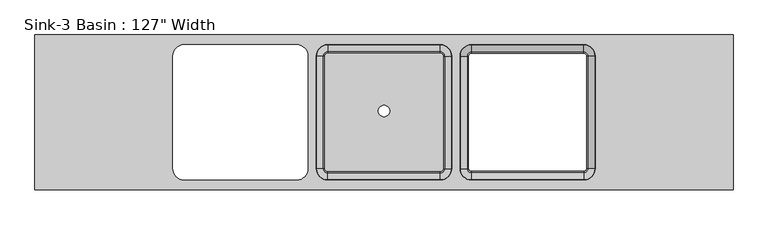
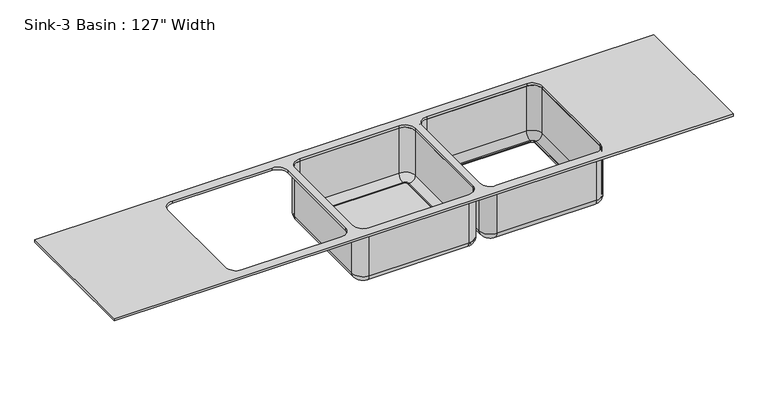
"""IFC4 building model written with IfcOpenShell, lengths in millimetres: flow terminal geometry."""

from ifc_helpers import new_model, si_unit, point, frame, frame_2d, origin, place, context, project, spatial, polyline, circle_curve, ellipse_curve, trimmed, segment, composite_curve, outline, extrude, source, transform, mapped, element, save
from ifc_brep_helpers import plane_surface, cylinder_surface, revolved_surface, advanced_brep


def flow_terminal_a186a1c5(model_context):
    return source(origin(), model_context, "Body", "SolidModel", [
        advanced_brep(
        [(212.5392406, 180.1454011, 863.6), (263.3392406, 230.9454011, 863.6), (263.3392406, 237.2954011, 863.6), (206.1892406, 180.1454011, 863.6), (212.5392406, 180.1454011, 622.3), (263.3392406, 230.9454011, 622.3), (244.2892406, 180.1454011, 590.55), (263.3392406, 199.1954011, 590.55), (250.6392406, 180.1454011, 590.55), (263.3392406, 192.8454011, 590.55), (250.6392406, 180.1454011, 584.2), (263.3392406, 192.8454011, 584.2), (244.2892406, 180.1454011, 584.2), (263.3392406, 199.1954011, 584.2), (206.1892406, 180.1454011, 622.3), (263.3392406, 237.2954011, 622.3), (206.1892406, -327.8545989, 863.6), (212.5392406, -327.8545989, 863.6), (212.5392406, -327.8545989, 622.3), (244.2892406, -327.8545989, 590.55), (250.6392406, -327.8545989, 590.55), (250.6392406, -327.8545989, 584.2), (244.2892406, -327.8545989, 584.2), (206.1892406, -327.8545989, 622.3), (263.3392406, -378.6545989, 863.6), (263.3392406, -385.0045989, 863.6), (263.3392406, -378.6545989, 622.3), (263.3392406, -346.9045989, 590.55), (263.3392406, -340.5545989, 590.55), (263.3392406, -340.5545989, 584.2), (263.3392406, -346.9045989, 584.2), (263.3392406, -385.0045989, 622.3), (771.3392406, -385.0045989, 863.6), (771.3392406, -378.6545989, 863.6), (771.3392406, -378.6545989, 622.3), (771.3392406, -346.9045989, 590.55), (771.3392406, -340.5545989, 590.55), (771.3392406, -340.5545989, 584.2), (771.3392406, -346.9045989, 584.2), (771.3392406, -385.0045989, 622.3), (822.1392406, -327.8545989, 863.6), (828.4892406, -327.8545989, 863.6), (822.1392406, -327.8545989, 622.3), (790.3892406, -327.8545989, 590.55), (784.0392406, -327.8545989, 590.55), (784.0392406, -327.8545989, 584.2), (790.3892406, -327.8545989, 584.2), (828.4892406, -327.8545989, 622.3), (828.4892406, 180.1454011, 863.6), (822.1392406, 180.1454011, 863.6), (822.1392406, 180.1454011, 622.3), (790.3892406, 180.1454011, 590.55), (784.0392406, 180.1454011, 590.55), (784.0392406, 180.1454011, 584.2), (790.3892406, 180.1454011, 584.2), (828.4892406, 180.1454011, 622.3), (771.3392406, 230.9454011, 863.6), (771.3392406, 237.2954011, 863.6), (771.3392406, 230.9454011, 622.3), (771.3392406, 199.1954011, 590.55), (771.3392406, 192.8454011, 590.55), (771.3392406, 192.8454011, 584.2), (771.3392406, 199.1954011, 584.2), (771.3392406, 237.2954011, 622.3)],
        [
            (0, 1, circle_curve(frame((263.3392406, 180.1454011, 863.6), z_axis=(0.0, 0.0, -1.0), x_axis=(0.0, 1.0, 0.0)), 50.8)),
            (1, 2),
            (2, 3, circle_curve(frame((263.3392406, 180.1454011, 863.6), z_axis=(0.0, 0.0, 1.0), x_axis=(0.0, 1.0, 0.0)), 57.15)),
            (3, 0),
            (4, 5, circle_curve(frame((263.3392406, 180.1454011, 622.3), z_axis=(0.0, 0.0, -1.0), x_axis=(0.0, 1.0, 0.0)), 50.8)),
            (5, 1),
            (0, 4),
            (6, 7, circle_curve(frame((263.3392406, 180.1454011, 590.55), z_axis=(0.0, 0.0, -1.0), x_axis=(0.0, 1.0, 0.0)), 19.05)),
            (7, 5, circle_curve(frame((263.3392406, 199.1954011, 622.3), z_axis=(1.0, 0.0, 0.0), x_axis=(0.0, -1.0, 0.0)), 31.75)),
            (4, 6, circle_curve(frame((244.2892406, 180.1454011, 622.3), z_axis=(0.0, -1.0, 0.0), x_axis=(1.0, 0.0, 0.0)), 31.75)),
            (8, 9, circle_curve(frame((263.3392406, 180.1454011, 590.55), z_axis=(0.0, 0.0, -1.0), x_axis=(0.0, 1.0, 0.0)), 12.7)),
            (9, 7),
            (6, 8),
            (10, 11, circle_curve(frame((263.3392406, 180.1454011, 584.2), z_axis=(0.0, 0.0, -1.0), x_axis=(0.0, 1.0, 0.0)), 12.7)),
            (11, 9),
            (8, 10),
            (12, 13, circle_curve(frame((263.3392406, 180.1454011, 584.2), z_axis=(0.0, 0.0, -1.0), x_axis=(0.0, 1.0, 0.0)), 19.05)),
            (13, 11),
            (10, 12),
            (14, 15, circle_curve(frame((263.3392406, 180.1454011, 622.3), z_axis=(0.0, 0.0, -1.0), x_axis=(0.0, 1.0, 0.0)), 57.15)),
            (15, 13, circle_curve(frame((263.3392406, 199.1954011, 622.3), z_axis=(-1.0, 0.0, 0.0), x_axis=(0.0, -1.0, 0.0)), 38.1)),
            (12, 14, circle_curve(frame((244.2892406, 180.1454011, 622.3), z_axis=(0.0, 1.0, 0.0), x_axis=(1.0, 0.0, 0.0)), 38.1)),
            (2, 15),
            (14, 3),
            (3, 16),
            (16, 17),
            (17, 0),
            (17, 18),
            (18, 4),
            (18, 19, circle_curve(frame((244.2892406, -327.8545989, 622.3), z_axis=(0.0, -1.0, 0.0), x_axis=(1.0, 0.0, 0.0)), 31.75)),
            (19, 6),
            (19, 20),
            (20, 8),
            (20, 21),
            (21, 10),
            (21, 22),
            (22, 12),
            (22, 23, circle_curve(frame((244.2892406, -327.8545989, 622.3), z_axis=(0.0, 1.0, 0.0), x_axis=(1.0, 0.0, 0.0)), 38.1)),
            (23, 14),
            (23, 16),
            (24, 17, circle_curve(frame((263.3392406, -327.8545989, 863.6), z_axis=(0.0, 0.0, -1.0), x_axis=(-1.0, 0.0, 0.0)), 50.8)),
            (16, 25, circle_curve(frame((263.3392406, -327.8545989, 863.6), z_axis=(0.0, 0.0, 1.0), x_axis=(-1.0, 0.0, 0.0)), 57.15)),
            (25, 24),
            (26, 18, circle_curve(frame((263.3392406, -327.8545989, 622.3), z_axis=(0.0, 0.0, -1.0), x_axis=(-1.0, 0.0, 0.0)), 50.8)),
            (24, 26),
            (27, 19, circle_curve(frame((263.3392406, -327.8545989, 590.55), z_axis=(0.0, 0.0, -1.0), x_axis=(-1.0, 0.0, 0.0)), 19.05)),
            (26, 27, circle_curve(frame((263.3392406, -346.9045989, 622.3), z_axis=(1.0, 0.0, 0.0), x_axis=(0.0, 1.0, 0.0)), 31.75)),
            (28, 20, circle_curve(frame((263.3392406, -327.8545989, 590.55), z_axis=(0.0, 0.0, -1.0), x_axis=(-1.0, 0.0, 0.0)), 12.7)),
            (27, 28),
            (29, 21, circle_curve(frame((263.3392406, -327.8545989, 584.2), z_axis=(0.0, 0.0, -1.0), x_axis=(-1.0, 0.0, 0.0)), 12.7)),
            (28, 29),
            (30, 22, circle_curve(frame((263.3392406, -327.8545989, 584.2), z_axis=(0.0, 0.0, -1.0), x_axis=(-1.0, 0.0, 0.0)), 19.05)),
            (29, 30),
            (31, 23, circle_curve(frame((263.3392406, -327.8545989, 622.3), z_axis=(0.0, 0.0, -1.0), x_axis=(-1.0, 0.0, 0.0)), 57.15)),
            (30, 31, circle_curve(frame((263.3392406, -346.9045989, 622.3), z_axis=(-1.0, 0.0, 0.0), x_axis=(0.0, 1.0, 0.0)), 38.1)),
            (31, 25),
            (25, 32),
            (32, 33),
            (33, 24),
            (33, 34),
            (34, 26),
            (34, 35, circle_curve(frame((771.3392406, -346.9045989, 622.3), z_axis=(1.0, 0.0, 0.0), x_axis=(0.0, 1.0, 0.0)), 31.75)),
            (35, 27),
            (35, 36),
            (36, 28),
            (36, 37),
            (37, 29),
            (37, 38),
            (38, 30),
            (38, 39, circle_curve(frame((771.3392406, -346.9045989, 622.3), z_axis=(-1.0, 0.0, 0.0), x_axis=(0.0, 1.0, 0.0)), 38.1)),
            (39, 31),
            (39, 32),
            (40, 33, circle_curve(frame((771.3392406, -327.8545989, 863.6), z_axis=(0.0, 0.0, -1.0), x_axis=(0.0, -1.0, 0.0)), 50.8)),
            (32, 41, circle_curve(frame((771.3392406, -327.8545989, 863.6), z_axis=(0.0, 0.0, 1.0), x_axis=(0.0, -1.0, 0.0)), 57.15)),
            (41, 40),
            (42, 34, circle_curve(frame((771.3392406, -327.8545989, 622.3), z_axis=(0.0, 0.0, -1.0), x_axis=(0.0, -1.0, 0.0)), 50.8)),
            (40, 42),
            (43, 35, circle_curve(frame((771.3392406, -327.8545989, 590.55), z_axis=(0.0, 0.0, -1.0), x_axis=(0.0, -1.0, 0.0)), 19.05)),
            (42, 43, circle_curve(frame((790.3892406, -327.8545989, 622.3), z_axis=(0.0, 1.0, 0.0), x_axis=(-1.0, 0.0, 0.0)), 31.75)),
            (44, 36, circle_curve(frame((771.3392406, -327.8545989, 590.55), z_axis=(0.0, 0.0, -1.0), x_axis=(0.0, -1.0, 0.0)), 12.7)),
            (43, 44),
            (45, 37, circle_curve(frame((771.3392406, -327.8545989, 584.2), z_axis=(0.0, 0.0, -1.0), x_axis=(0.0, -1.0, 0.0)), 12.7)),
            (44, 45),
            (46, 38, circle_curve(frame((771.3392406, -327.8545989, 584.2), z_axis=(0.0, 0.0, -1.0), x_axis=(0.0, -1.0, 0.0)), 19.05)),
            (45, 46),
            (47, 39, circle_curve(frame((771.3392406, -327.8545989, 622.3), z_axis=(0.0, 0.0, -1.0), x_axis=(0.0, -1.0, 0.0)), 57.15)),
            (46, 47, circle_curve(frame((790.3892406, -327.8545989, 622.3), z_axis=(0.0, -1.0, 0.0), x_axis=(-1.0, 0.0, 0.0)), 38.1)),
            (47, 41),
            (41, 48),
            (48, 49),
            (49, 40),
            (49, 50),
            (50, 42),
            (50, 51, circle_curve(frame((790.3892406, 180.1454011, 622.3), z_axis=(0.0, 1.0, 0.0), x_axis=(-1.0, 0.0, 0.0)), 31.75)),
            (51, 43),
            (51, 52),
            (52, 44),
            (52, 53),
            (53, 45),
            (53, 54),
            (54, 46),
            (54, 55, circle_curve(frame((790.3892406, 180.1454011, 622.3), z_axis=(0.0, -1.0, 0.0), x_axis=(-1.0, 0.0, 0.0)), 38.1)),
            (55, 47),
            (55, 48),
            (56, 49, circle_curve(frame((771.3392406, 180.1454011, 863.6), z_axis=(0.0, 0.0, -1.0), x_axis=(1.0, 0.0, 0.0)), 50.8)),
            (48, 57, circle_curve(frame((771.3392406, 180.1454011, 863.6), z_axis=(0.0, 0.0, 1.0), x_axis=(1.0, 0.0, 0.0)), 57.15)),
            (57, 56),
            (58, 50, circle_curve(frame((771.3392406, 180.1454011, 622.3), z_axis=(0.0, 0.0, -1.0), x_axis=(1.0, 0.0, 0.0)), 50.8)),
            (56, 58),
            (59, 51, circle_curve(frame((771.3392406, 180.1454011, 590.55), z_axis=(0.0, 0.0, -1.0), x_axis=(1.0, 0.0, 0.0)), 19.05)),
            (58, 59, circle_curve(frame((771.3392406, 199.1954011, 622.3), z_axis=(-1.0, 0.0, 0.0), x_axis=(0.0, -1.0, 0.0)), 31.75)),
            (60, 52, circle_curve(frame((771.3392406, 180.1454011, 590.55), z_axis=(0.0, 0.0, -1.0), x_axis=(1.0, 0.0, 0.0)), 12.7)),
            (59, 60),
            (61, 53, circle_curve(frame((771.3392406, 180.1454011, 584.2), z_axis=(0.0, 0.0, -1.0), x_axis=(1.0, 0.0, 0.0)), 12.7)),
            (60, 61),
            (62, 54, circle_curve(frame((771.3392406, 180.1454011, 584.2), z_axis=(0.0, 0.0, -1.0), x_axis=(1.0, 0.0, 0.0)), 19.05)),
            (61, 62),
            (63, 55, circle_curve(frame((771.3392406, 180.1454011, 622.3), z_axis=(0.0, 0.0, -1.0), x_axis=(1.0, 0.0, 0.0)), 57.15)),
            (62, 63, circle_curve(frame((771.3392406, 199.1954011, 622.3), z_axis=(1.0, 0.0, 0.0), x_axis=(0.0, -1.0, 0.0)), 38.1)),
            (63, 57),
            (57, 2),
            (1, 56),
            (5, 58),
            (7, 59),
            (9, 60),
            (11, 61),
            (13, 62),
            (15, 63),
        ],
        [
            plane_surface(frame((263.3392406, 180.1454011, 863.6), z_axis=(0.0, 0.0, 1.0), x_axis=(0.0, 1.0, 0.0))),
            revolved_surface(polyline([(263.3392406, 230.94540109999997, 863.6), (263.3392406, 230.94540109999997, 622.3)]), (263.3392406, 180.1454011, 0.0), (0.0, 0.0, 1.0)),
            revolved_surface(trimmed(ellipse_curve(frame((263.3392406, 199.1954011, 622.3), z_axis=(-1.0, 0.0, 0.0), x_axis=(0.0, -1.0, 0.0)), 31.75, 31.75), [point((263.3392406, 230.9454011, 622.3))], [point((263.3392406, 199.1954011, 590.55))], True, "CARTESIAN"), (263.3392406, 180.1454011, 0.0), (0.0, 0.0, 1.0)),
            plane_surface(frame((263.3392406, 180.1454011, 590.55), z_axis=(0.0, 0.0, 1.0), x_axis=(0.0, 1.0, 0.0))),
            revolved_surface(polyline([(263.3392406, 192.84540109999998, 590.55), (263.3392406, 192.84540109999998, 584.2)]), (263.3392406, 180.1454011, 0.0), (0.0, 0.0, 1.0)),
            plane_surface(frame((263.3392406, 180.1454011, 584.2), z_axis=(0.0, 0.0, -1.0), x_axis=(0.0, 1.0, 0.0))),
            revolved_surface(trimmed(ellipse_curve(frame((263.3392406, 199.1954011, 622.3), z_axis=(1.0, 0.0, 0.0), x_axis=(0.0, -1.0, 0.0)), 38.1, 38.1), [point((263.3392406, 199.1954011, 584.2))], [point((263.3392406, 237.2954011, 622.3))], True, "CARTESIAN"), (263.3392406, 180.1454011, 0.0), (0.0, 0.0, 1.0)),
            cylinder_surface(frame((263.3392406, 180.1454011, 0.0), z_axis=(0.0, 0.0, 1.0), x_axis=(0.0, 1.0, 0.0)), 57.15),
            plane_surface(frame((206.1892406, 180.1454011, 863.6), z_axis=(0.0, 0.0, 1.0), x_axis=(0.0, -1.0, 0.0))),
            plane_surface(frame((212.5392406, 180.1454011, 863.6), z_axis=(1.0, 0.0, 0.0), x_axis=(0.0, -1.0, 0.0))),
            revolved_surface(polyline([(276.03924059999997, -327.85459890000004, 622.3), (276.03924059999997, 180.1454011, 622.3)]), (244.2892406, 180.1454011, 622.3), (0.0, -1.0, 0.0)),
            plane_surface(frame((244.2892406, 180.1454011, 590.55), z_axis=(0.0, 0.0, 1.0), x_axis=(0.0, -1.0, 0.0))),
            plane_surface(frame((250.6392406, 180.1454011, 590.55), z_axis=(1.0, 0.0, 0.0), x_axis=(0.0, -1.0, 0.0))),
            plane_surface(frame((250.6392406, 180.1454011, 584.2), z_axis=(0.0, 0.0, -1.0), x_axis=(0.0, -1.0, 0.0))),
            cylinder_surface(frame((244.2892406, 180.1454011, 622.3), z_axis=(0.0, 1.0, 0.0), x_axis=(1.0, 0.0, 0.0)), 38.1),
            plane_surface(frame((206.1892406, 180.1454011, 622.3), z_axis=(-1.0, 0.0, 0.0), x_axis=(0.0, -1.0, 0.0))),
            plane_surface(frame((263.3392406, -327.8545989, 863.6), z_axis=(0.0, 0.0, 1.0), x_axis=(-1.0, 0.0, 0.0))),
            revolved_surface(polyline([(212.53924059999997, -327.8545989, 863.6), (212.53924059999997, -327.8545989, 622.3)]), (263.3392406, -327.8545989, 0.0), (0.0, 0.0, 1.0)),
            revolved_surface(trimmed(ellipse_curve(frame((244.2892406, -327.8545989, 622.3), z_axis=(0.0, -1.0, 0.0), x_axis=(1.0, 0.0, 0.0)), 31.75, 31.75), [point((212.5392406, -327.8545989, 622.3))], [point((244.2892406, -327.8545989, 590.55))], True, "CARTESIAN"), (263.3392406, -327.8545989, 0.0), (0.0, 0.0, 1.0)),
            plane_surface(frame((263.3392406, -327.8545989, 590.55), z_axis=(0.0, 0.0, 1.0), x_axis=(-1.0, 0.0, 0.0))),
            revolved_surface(polyline([(250.6392406, -327.8545989, 590.55), (250.6392406, -327.8545989, 584.2)]), (263.3392406, -327.8545989, 0.0), (0.0, 0.0, 1.0)),
            plane_surface(frame((263.3392406, -327.8545989, 584.2), z_axis=(0.0, 0.0, -1.0), x_axis=(-1.0, 0.0, 0.0))),
            revolved_surface(trimmed(ellipse_curve(frame((244.2892406, -327.8545989, 622.3), z_axis=(0.0, 1.0, 0.0), x_axis=(1.0, 0.0, 0.0)), 38.1, 38.1), [point((244.2892406, -327.8545989, 584.2))], [point((206.1892406, -327.8545989, 622.3))], True, "CARTESIAN"), (263.3392406, -327.8545989, 0.0), (0.0, 0.0, 1.0)),
            cylinder_surface(frame((263.3392406, -327.8545989, 0.0), z_axis=(0.0, 0.0, 1.0), x_axis=(-1.0, 0.0, 0.0)), 57.15),
            plane_surface(frame((263.3392406, -385.0045989, 863.6), z_axis=(0.0, 0.0, 1.0), x_axis=(1.0, 0.0, 0.0))),
            plane_surface(frame((263.3392406, -378.6545989, 863.6), z_axis=(0.0, 1.0, 0.0), x_axis=(1.0, 0.0, 0.0))),
            revolved_surface(polyline([(771.3392406, -315.1545989, 622.3), (263.3392406, -315.1545989, 622.3)]), (263.3392406, -346.9045989, 622.3), (1.0, 0.0, 0.0)),
            plane_surface(frame((263.3392406, -346.9045989, 590.55), z_axis=(0.0, 0.0, 1.0), x_axis=(1.0, 0.0, 0.0))),
            plane_surface(frame((263.3392406, -340.5545989, 590.55), z_axis=(0.0, 1.0, 0.0), x_axis=(1.0, 0.0, 0.0))),
            plane_surface(frame((263.3392406, -340.5545989, 584.2), z_axis=(0.0, 0.0, -1.0), x_axis=(1.0, 0.0, 0.0))),
            cylinder_surface(frame((263.3392406, -346.9045989, 622.3), z_axis=(-1.0, 0.0, 0.0), x_axis=(0.0, 1.0, 0.0)), 38.1),
            plane_surface(frame((263.3392406, -385.0045989, 622.3), z_axis=(0.0, -1.0, 0.0), x_axis=(1.0, 0.0, 0.0))),
            plane_surface(frame((771.3392406, -327.8545989, 863.6), z_axis=(0.0, 0.0, 1.0), x_axis=(0.0, -1.0, 0.0))),
            revolved_surface(polyline([(771.3392406, -378.6545989, 863.6), (771.3392406, -378.6545989, 622.3)]), (771.3392406, -327.8545989, 0.0), (0.0, 0.0, 1.0)),
            revolved_surface(trimmed(ellipse_curve(frame((771.3392406, -346.9045989, 622.3), z_axis=(1.0, 0.0, 0.0), x_axis=(0.0, 1.0, 0.0)), 31.75, 31.75), [point((771.3392406, -378.6545989, 622.3))], [point((771.3392406, -346.9045989, 590.55))], True, "CARTESIAN"), (771.3392406, -327.8545989, 0.0), (0.0, 0.0, 1.0)),
            plane_surface(frame((771.3392406, -327.8545989, 590.55), z_axis=(0.0, 0.0, 1.0), x_axis=(0.0, -1.0, 0.0))),
            revolved_surface(polyline([(771.3392406, -340.5545989, 590.55), (771.3392406, -340.5545989, 584.2)]), (771.3392406, -327.8545989, 0.0), (0.0, 0.0, 1.0)),
            plane_surface(frame((771.3392406, -327.8545989, 584.2), z_axis=(0.0, 0.0, -1.0), x_axis=(0.0, -1.0, 0.0))),
            revolved_surface(trimmed(ellipse_curve(frame((771.3392406, -346.9045989, 622.3), z_axis=(-1.0, 0.0, 0.0), x_axis=(0.0, 1.0, 0.0)), 38.1, 38.1), [point((771.3392406, -346.9045989, 584.2))], [point((771.3392406, -385.0045989, 622.3))], True, "CARTESIAN"), (771.3392406, -327.8545989, 0.0), (0.0, 0.0, 1.0)),
            cylinder_surface(frame((771.3392406, -327.8545989, 0.0), z_axis=(0.0, 0.0, 1.0), x_axis=(0.0, -1.0, 0.0)), 57.15),
            plane_surface(frame((828.4892406, -327.8545989, 863.6), z_axis=(0.0, 0.0, 1.0), x_axis=(0.0, 1.0, 0.0))),
            plane_surface(frame((822.1392406, -327.8545989, 863.6), z_axis=(-1.0, 0.0, 0.0), x_axis=(0.0, 1.0, 0.0))),
            revolved_surface(polyline([(758.6392406, 180.14540110000002, 622.3), (758.6392406, -327.8545989, 622.3)]), (790.3892406, -327.8545989, 622.3), (0.0, 1.0, 0.0)),
            plane_surface(frame((790.3892406, -327.8545989, 590.55), z_axis=(0.0, 0.0, 1.0), x_axis=(0.0, 1.0, 0.0))),
            plane_surface(frame((784.0392406, -327.8545989, 590.55), z_axis=(-1.0, 0.0, 0.0), x_axis=(0.0, 1.0, 0.0))),
            plane_surface(frame((784.0392406, -327.8545989, 584.2), z_axis=(0.0, 0.0, -1.0), x_axis=(0.0, 1.0, 0.0))),
            cylinder_surface(frame((790.3892406, -327.8545989, 622.3), z_axis=(0.0, -1.0, 0.0), x_axis=(-1.0, 0.0, 0.0)), 38.1),
            plane_surface(frame((828.4892406, -327.8545989, 622.3), z_axis=(1.0, 0.0, 0.0), x_axis=(0.0, 1.0, 0.0))),
            plane_surface(frame((771.3392406, 180.1454011, 863.6), z_axis=(0.0, 0.0, 1.0), x_axis=(1.0, 0.0, 0.0))),
            revolved_surface(polyline([(822.1392406, 180.1454011, 863.6), (822.1392406, 180.1454011, 622.3)]), (771.3392406, 180.1454011, 0.0), (0.0, 0.0, 1.0)),
            revolved_surface(trimmed(ellipse_curve(frame((790.3892406, 180.1454011, 622.3), z_axis=(0.0, 1.0, 0.0), x_axis=(-1.0, 0.0, 0.0)), 31.75, 31.75), [point((822.1392406, 180.1454011, 622.3))], [point((790.3892406, 180.1454011, 590.55))], True, "CARTESIAN"), (771.3392406, 180.1454011, 0.0), (0.0, 0.0, 1.0)),
            plane_surface(frame((771.3392406, 180.1454011, 590.55), z_axis=(0.0, 0.0, 1.0), x_axis=(1.0, 0.0, 0.0))),
            revolved_surface(polyline([(784.0392406000001, 180.1454011, 590.55), (784.0392406000001, 180.1454011, 584.2)]), (771.3392406, 180.1454011, 0.0), (0.0, 0.0, 1.0)),
            plane_surface(frame((771.3392406, 180.1454011, 584.2), z_axis=(0.0, 0.0, -1.0), x_axis=(1.0, 0.0, 0.0))),
            revolved_surface(trimmed(ellipse_curve(frame((790.3892406, 180.1454011, 622.3), z_axis=(0.0, -1.0, 0.0), x_axis=(-1.0, 0.0, 0.0)), 38.1, 38.1), [point((790.3892406, 180.1454011, 584.2))], [point((828.4892406, 180.1454011, 622.3))], True, "CARTESIAN"), (771.3392406, 180.1454011, 0.0), (0.0, 0.0, 1.0)),
            cylinder_surface(frame((771.3392406, 180.1454011, 0.0), z_axis=(0.0, 0.0, 1.0), x_axis=(1.0, 0.0, 0.0)), 57.15),
            plane_surface(frame((771.3392406, 237.2954011, 863.6), z_axis=(0.0, 0.0, 1.0), x_axis=(-1.0, 0.0, 0.0))),
            plane_surface(frame((771.3392406, 230.9454011, 863.6), z_axis=(0.0, -1.0, 0.0), x_axis=(-1.0, 0.0, 0.0))),
            revolved_surface(polyline([(263.3392406, 167.4454011, 622.3), (771.3392406, 167.4454011, 622.3)]), (771.3392406, 199.1954011, 622.3), (-1.0, 0.0, 0.0)),
            plane_surface(frame((771.3392406, 199.1954011, 590.55), z_axis=(0.0, 0.0, 1.0), x_axis=(-1.0, 0.0, 0.0))),
            plane_surface(frame((771.3392406, 192.8454011, 590.55), z_axis=(0.0, -1.0, 0.0), x_axis=(-1.0, 0.0, 0.0))),
            plane_surface(frame((771.3392406, 192.8454011, 584.2), z_axis=(0.0, 0.0, -1.0), x_axis=(-1.0, 0.0, 0.0))),
            cylinder_surface(frame((771.3392406, 199.1954011, 622.3), z_axis=(1.0, 0.0, 0.0), x_axis=(0.0, -1.0, 0.0)), 38.1),
            plane_surface(frame((771.3392406, 237.2954011, 622.3), z_axis=(0.0, 1.0, 0.0), x_axis=(-1.0, 0.0, 0.0))),
        ],
        [
            (0, [[1, 2, 3, 4]]),
            (1, [[5, 6, -1, 7]]),
            (2, [[8, 9, -5, 10]]),
            (3, [[11, 12, -8, 13]]),
            (4, [[14, 15, -11, 16]]),
            (5, [[17, 18, -14, 19]]),
            (6, [[20, 21, -17, 22]]),
            (7, [[-3, 23, -20, 24]]),
            (8, [[-4, 25, 26, 27]]),
            (9, [[-7, -27, 28, 29]]),
            (10, [[-10, -29, 30, 31]]),
            (11, [[-13, -31, 32, 33]]),
            (12, [[-16, -33, 34, 35]]),
            (13, [[-19, -35, 36, 37]]),
            (14, [[-22, -37, 38, 39]]),
            (15, [[-24, -39, 40, -25]]),
            (16, [[41, -26, 42, 43]]),
            (17, [[44, -28, -41, 45]]),
            (18, [[46, -30, -44, 47]]),
            (19, [[48, -32, -46, 49]]),
            (20, [[50, -34, -48, 51]]),
            (21, [[52, -36, -50, 53]]),
            (22, [[54, -38, -52, 55]]),
            (23, [[-42, -40, -54, 56]]),
            (24, [[-43, 57, 58, 59]]),
            (25, [[-45, -59, 60, 61]]),
            (26, [[-47, -61, 62, 63]]),
            (27, [[-49, -63, 64, 65]]),
            (28, [[-51, -65, 66, 67]]),
            (29, [[-53, -67, 68, 69]]),
            (30, [[-55, -69, 70, 71]]),
            (31, [[-56, -71, 72, -57]]),
            (32, [[73, -58, 74, 75]]),
            (33, [[76, -60, -73, 77]]),
            (34, [[78, -62, -76, 79]]),
            (35, [[80, -64, -78, 81]]),
            (36, [[82, -66, -80, 83]]),
            (37, [[84, -68, -82, 85]]),
            (38, [[86, -70, -84, 87]]),
            (39, [[-74, -72, -86, 88]]),
            (40, [[-75, 89, 90, 91]]),
            (41, [[-77, -91, 92, 93]]),
            (42, [[-79, -93, 94, 95]]),
            (43, [[-81, -95, 96, 97]]),
            (44, [[-83, -97, 98, 99]]),
            (45, [[-85, -99, 100, 101]]),
            (46, [[-87, -101, 102, 103]]),
            (47, [[-88, -103, 104, -89]]),
            (48, [[105, -90, 106, 107]]),
            (49, [[108, -92, -105, 109]]),
            (50, [[110, -94, -108, 111]]),
            (51, [[112, -96, -110, 113]]),
            (52, [[114, -98, -112, 115]]),
            (53, [[116, -100, -114, 117]]),
            (54, [[118, -102, -116, 119]]),
            (55, [[-106, -104, -118, 120]]),
            (56, [[-107, 121, -2, 122]]),
            (57, [[-109, -122, -6, 123]]),
            (58, [[-111, -123, -9, 124]]),
            (59, [[-113, -124, -12, 125]]),
            (60, [[-115, -125, -15, 126]]),
            (61, [[-117, -126, -18, 127]]),
            (62, [[-119, -127, -21, 128]]),
            (63, [[-120, -128, -23, -121]]),
        ],
    ),
        extrude(outline(composite_curve([segment(trimmed(circle_curve(frame_2d((123.6392406, 180.1454011)), 12.7), [point((123.6392406, 192.8454011))], [point((136.3392406, 180.1454011))], False, "CARTESIAN"), True, "CONTINUOUS"), segment(polyline([(136.3392406, 180.1454011), (136.3392406, -327.8545989)]), True, "CONTINUOUS"), segment(trimmed(circle_curve(frame_2d((123.6392406, -327.8545989)), 12.7), [point((136.3392406, -327.8545989))], [point((123.6392406, -340.5545989))], False, "CARTESIAN"), True, "CONTINUOUS"), segment(polyline([(123.6392406, -340.5545989), (-384.3607594, -340.5545989)]), True, "CONTINUOUS"), segment(trimmed(circle_curve(frame_2d((-384.3607594, -327.8545989)), 12.7), [point((-384.3607594, -340.5545989))], [point((-397.0607594, -327.8545989))], False, "CARTESIAN"), True, "CONTINUOUS"), segment(polyline([(-397.0607594, -327.8545989), (-397.0607594, 180.1454011)]), True, "CONTINUOUS"), segment(trimmed(circle_curve(frame_2d((-384.3607594, 180.1454011)), 12.7), [point((-397.0607594, 180.1454011))], [point((-384.3607594, 192.8454011))], False, "CARTESIAN"), True, "CONTINUOUS"), segment(polyline([(-384.3607594, 192.8454011), (123.6392406, 192.8454011)]), True, "CONTINUOUS")], self_intersect=False), holes=[composite_curve([segment(trimmed(circle_curve(frame_2d((-130.3607594, -67.5045989)), 25.4), [point((-155.7607594, -67.5045989))], [point((-104.9607594, -67.5045989))], True, "CARTESIAN"), True, "CONTINUOUS"), segment(trimmed(circle_curve(frame_2d((-130.3607594, -67.5045989)), 25.4), [point((-104.9607594, -67.5045989))], [point((-155.7607594, -67.5045989))], True, "CARTESIAN"), True, "CONTINUOUS")], self_intersect=False)]), frame((0.0, 0.0, 584.2), z_axis=(0.0, 0.0, 1.0), x_axis=(1.0, 0.0, 0.0)), (0.0, 0.0, 1.0), 6.35),
        advanced_brep(
        [(180.7892406, 180.1454011, 622.3), (123.6392406, 237.2954011, 622.3), (123.6392406, 237.2954011, 863.6), (180.7892406, 180.1454011, 863.6), (142.6892406, 180.1454011, 584.2), (123.6392406, 199.1954011, 584.2), (136.3392406, 180.1454011, 584.2), (123.6392406, 192.8454011, 584.2), (136.3392406, 180.1454011, 590.55), (123.6392406, 192.8454011, 590.55), (142.6892406, 180.1454011, 590.55), (123.6392406, 199.1954011, 590.55), (174.4392406, 180.1454011, 622.3), (123.6392406, 230.9454011, 622.3), (174.4392406, 180.1454011, 863.6), (123.6392406, 230.9454011, 863.6), (180.7892406, -327.8545989, 863.6), (180.7892406, -327.8545989, 622.3), (142.6892406, -327.8545989, 584.2), (136.3392406, -327.8545989, 584.2), (136.3392406, -327.8545989, 590.55), (142.6892406, -327.8545989, 590.55), (174.4392406, -327.8545989, 622.3), (174.4392406, -327.8545989, 863.6), (123.6392406, -385.0045989, 622.3), (123.6392406, -385.0045989, 863.6), (123.6392406, -346.9045989, 584.2), (123.6392406, -340.5545989, 584.2), (123.6392406, -340.5545989, 590.55), (123.6392406, -346.9045989, 590.55), (123.6392406, -378.6545989, 622.3), (123.6392406, -378.6545989, 863.6), (-384.3607594, -385.0045989, 863.6), (-384.3607594, -385.0045989, 622.3), (-384.3607594, -346.9045989, 584.2), (-384.3607594, -340.5545989, 584.2), (-384.3607594, -340.5545989, 590.55), (-384.3607594, -346.9045989, 590.55), (-384.3607594, -378.6545989, 622.3), (-384.3607594, -378.6545989, 863.6), (-441.5107594, -327.8545989, 622.3), (-441.5107594, -327.8545989, 863.6), (-403.4107594, -327.8545989, 584.2), (-397.0607594, -327.8545989, 584.2), (-397.0607594, -327.8545989, 590.55), (-403.4107594, -327.8545989, 590.55), (-435.1607594, -327.8545989, 622.3), (-435.1607594, -327.8545989, 863.6), (-441.5107594, 180.1454011, 863.6), (-441.5107594, 180.1454011, 622.3), (-403.4107594, 180.1454011, 584.2), (-397.0607594, 180.1454011, 584.2), (-397.0607594, 180.1454011, 590.55), (-403.4107594, 180.1454011, 590.55), (-435.1607594, 180.1454011, 622.3), (-435.1607594, 180.1454011, 863.6), (-384.3607594, 237.2954011, 622.3), (-384.3607594, 237.2954011, 863.6), (-384.3607594, 199.1954011, 584.2), (-384.3607594, 192.8454011, 584.2), (-384.3607594, 192.8454011, 590.55), (-384.3607594, 199.1954011, 590.55), (-384.3607594, 230.9454011, 622.3), (-384.3607594, 230.9454011, 863.6)],
        [
            (0, 1, circle_curve(frame((123.6392406, 180.1454011, 622.3), z_axis=(0.0, 0.0, 1.0), x_axis=(0.0, 1.0, 0.0)), 57.15)),
            (1, 2),
            (2, 3, circle_curve(frame((123.6392406, 180.1454011, 863.6), z_axis=(0.0, 0.0, -1.0), x_axis=(0.0, 1.0, 0.0)), 57.15)),
            (3, 0),
            (4, 5, circle_curve(frame((123.6392406, 180.1454011, 584.2), z_axis=(0.0, 0.0, 1.0), x_axis=(0.0, 1.0, 0.0)), 19.05)),
            (5, 1, circle_curve(frame((123.6392406, 199.1954011, 622.3), z_axis=(1.0, 0.0, 0.0), x_axis=(0.0, 1.0, 0.0)), 38.1)),
            (0, 4, circle_curve(frame((142.6892406, 180.1454011, 622.3), z_axis=(0.0, 1.0, 0.0), x_axis=(1.0, 0.0, 0.0)), 38.1)),
            (6, 7, circle_curve(frame((123.6392406, 180.1454011, 584.2), z_axis=(0.0, 0.0, 1.0), x_axis=(0.0, 1.0, 0.0)), 12.7)),
            (7, 5),
            (4, 6),
            (8, 9, circle_curve(frame((123.6392406, 180.1454011, 590.55), z_axis=(0.0, 0.0, 1.0), x_axis=(0.0, 1.0, 0.0)), 12.7)),
            (9, 7),
            (6, 8),
            (10, 11, circle_curve(frame((123.6392406, 180.1454011, 590.55), z_axis=(0.0, 0.0, 1.0), x_axis=(0.0, 1.0, 0.0)), 19.05)),
            (11, 9),
            (8, 10),
            (12, 13, circle_curve(frame((123.6392406, 180.1454011, 622.3), z_axis=(0.0, 0.0, 1.0), x_axis=(0.0, 1.0, 0.0)), 50.8)),
            (13, 11, circle_curve(frame((123.6392406, 199.1954011, 622.3), z_axis=(-1.0, 0.0, 0.0), x_axis=(0.0, 1.0, 0.0)), 31.75)),
            (10, 12, circle_curve(frame((142.6892406, 180.1454011, 622.3), z_axis=(0.0, -1.0, 0.0), x_axis=(1.0, 0.0, 0.0)), 31.75)),
            (14, 15, circle_curve(frame((123.6392406, 180.1454011, 863.6), z_axis=(0.0, 0.0, 1.0), x_axis=(0.0, 1.0, 0.0)), 50.8)),
            (15, 13),
            (12, 14),
            (2, 15),
            (14, 3),
            (3, 16),
            (16, 17),
            (17, 0),
            (17, 18, circle_curve(frame((142.6892406, -327.8545989, 622.3), z_axis=(0.0, 1.0, 0.0), x_axis=(1.0, 0.0, 0.0)), 38.1)),
            (18, 4),
            (18, 19),
            (19, 6),
            (19, 20),
            (20, 8),
            (20, 21),
            (21, 10),
            (21, 22, circle_curve(frame((142.6892406, -327.8545989, 622.3), z_axis=(0.0, -1.0, 0.0), x_axis=(1.0, 0.0, 0.0)), 31.75)),
            (22, 12),
            (22, 23),
            (23, 14),
            (23, 16),
            (24, 17, circle_curve(frame((123.6392406, -327.8545989, 622.3), z_axis=(0.0, 0.0, 1.0), x_axis=(1.0, 0.0, 0.0)), 57.15)),
            (16, 25, circle_curve(frame((123.6392406, -327.8545989, 863.6), z_axis=(0.0, 0.0, -1.0), x_axis=(1.0, 0.0, 0.0)), 57.15)),
            (25, 24),
            (26, 18, circle_curve(frame((123.6392406, -327.8545989, 584.2), z_axis=(0.0, 0.0, 1.0), x_axis=(1.0, 0.0, 0.0)), 19.05)),
            (24, 26, circle_curve(frame((123.6392406, -346.9045989, 622.3), z_axis=(1.0, 0.0, 0.0), x_axis=(0.0, -1.0, 0.0)), 38.1)),
            (27, 19, circle_curve(frame((123.6392406, -327.8545989, 584.2), z_axis=(0.0, 0.0, 1.0), x_axis=(1.0, 0.0, 0.0)), 12.7)),
            (26, 27),
            (28, 20, circle_curve(frame((123.6392406, -327.8545989, 590.55), z_axis=(0.0, 0.0, 1.0), x_axis=(1.0, 0.0, 0.0)), 12.7)),
            (27, 28),
            (29, 21, circle_curve(frame((123.6392406, -327.8545989, 590.55), z_axis=(0.0, 0.0, 1.0), x_axis=(1.0, 0.0, 0.0)), 19.05)),
            (28, 29),
            (30, 22, circle_curve(frame((123.6392406, -327.8545989, 622.3), z_axis=(0.0, 0.0, 1.0), x_axis=(1.0, 0.0, 0.0)), 50.8)),
            (29, 30, circle_curve(frame((123.6392406, -346.9045989, 622.3), z_axis=(-1.0, 0.0, 0.0), x_axis=(0.0, -1.0, 0.0)), 31.75)),
            (31, 23, circle_curve(frame((123.6392406, -327.8545989, 863.6), z_axis=(0.0, 0.0, 1.0), x_axis=(1.0, 0.0, 0.0)), 50.8)),
            (30, 31),
            (31, 25),
            (25, 32),
            (32, 33),
            (33, 24),
            (33, 34, circle_curve(frame((-384.3607594, -346.9045989, 622.3), z_axis=(1.0, 0.0, 0.0), x_axis=(0.0, -1.0, 0.0)), 38.1)),
            (34, 26),
            (34, 35),
            (35, 27),
            (35, 36),
            (36, 28),
            (36, 37),
            (37, 29),
            (37, 38, circle_curve(frame((-384.3607594, -346.9045989, 622.3), z_axis=(-1.0, 0.0, 0.0), x_axis=(0.0, -1.0, 0.0)), 31.75)),
            (38, 30),
            (38, 39),
            (39, 31),
            (39, 32),
            (40, 33, circle_curve(frame((-384.3607594, -327.8545989, 622.3), z_axis=(0.0, 0.0, 1.0), x_axis=(0.0, -1.0, 0.0)), 57.15)),
            (32, 41, circle_curve(frame((-384.3607594, -327.8545989, 863.6), z_axis=(0.0, 0.0, -1.0), x_axis=(0.0, -1.0, 0.0)), 57.15)),
            (41, 40),
            (42, 34, circle_curve(frame((-384.3607594, -327.8545989, 584.2), z_axis=(0.0, 0.0, 1.0), x_axis=(0.0, -1.0, 0.0)), 19.05)),
            (40, 42, circle_curve(frame((-403.4107594, -327.8545989, 622.3), z_axis=(0.0, -1.0, 0.0), x_axis=(-1.0, 0.0, 0.0)), 38.1)),
            (43, 35, circle_curve(frame((-384.3607594, -327.8545989, 584.2), z_axis=(0.0, 0.0, 1.0), x_axis=(0.0, -1.0, 0.0)), 12.7)),
            (42, 43),
            (44, 36, circle_curve(frame((-384.3607594, -327.8545989, 590.55), z_axis=(0.0, 0.0, 1.0), x_axis=(0.0, -1.0, 0.0)), 12.7)),
            (43, 44),
            (45, 37, circle_curve(frame((-384.3607594, -327.8545989, 590.55), z_axis=(0.0, 0.0, 1.0), x_axis=(0.0, -1.0, 0.0)), 19.05)),
            (44, 45),
            (46, 38, circle_curve(frame((-384.3607594, -327.8545989, 622.3), z_axis=(0.0, 0.0, 1.0), x_axis=(0.0, -1.0, 0.0)), 50.8)),
            (45, 46, circle_curve(frame((-403.4107594, -327.8545989, 622.3), z_axis=(0.0, 1.0, 0.0), x_axis=(-1.0, 0.0, 0.0)), 31.75)),
            (47, 39, circle_curve(frame((-384.3607594, -327.8545989, 863.6), z_axis=(0.0, 0.0, 1.0), x_axis=(0.0, -1.0, 0.0)), 50.8)),
            (46, 47),
            (47, 41),
            (41, 48),
            (48, 49),
            (49, 40),
            (49, 50, circle_curve(frame((-403.4107594, 180.1454011, 622.3), z_axis=(0.0, -1.0, 0.0), x_axis=(-1.0, 0.0, 0.0)), 38.1)),
            (50, 42),
            (50, 51),
            (51, 43),
            (51, 52),
            (52, 44),
            (52, 53),
            (53, 45),
            (53, 54, circle_curve(frame((-403.4107594, 180.1454011, 622.3), z_axis=(0.0, 1.0, 0.0), x_axis=(-1.0, 0.0, 0.0)), 31.75)),
            (54, 46),
            (54, 55),
            (55, 47),
            (55, 48),
            (56, 49, circle_curve(frame((-384.3607594, 180.1454011, 622.3), z_axis=(0.0, 0.0, 1.0), x_axis=(-1.0, 0.0, 0.0)), 57.15)),
            (48, 57, circle_curve(frame((-384.3607594, 180.1454011, 863.6), z_axis=(0.0, 0.0, -1.0), x_axis=(-1.0, 0.0, 0.0)), 57.15)),
            (57, 56),
            (58, 50, circle_curve(frame((-384.3607594, 180.1454011, 584.2), z_axis=(0.0, 0.0, 1.0), x_axis=(-1.0, 0.0, 0.0)), 19.05)),
            (56, 58, circle_curve(frame((-384.3607594, 199.1954011, 622.3), z_axis=(-1.0, 0.0, 0.0), x_axis=(0.0, 1.0, 0.0)), 38.1)),
            (59, 51, circle_curve(frame((-384.3607594, 180.1454011, 584.2), z_axis=(0.0, 0.0, 1.0), x_axis=(-1.0, 0.0, 0.0)), 12.7)),
            (58, 59),
            (60, 52, circle_curve(frame((-384.3607594, 180.1454011, 590.55), z_axis=(0.0, 0.0, 1.0), x_axis=(-1.0, 0.0, 0.0)), 12.7)),
            (59, 60),
            (61, 53, circle_curve(frame((-384.3607594, 180.1454011, 590.55), z_axis=(0.0, 0.0, 1.0), x_axis=(-1.0, 0.0, 0.0)), 19.05)),
            (60, 61),
            (62, 54, circle_curve(frame((-384.3607594, 180.1454011, 622.3), z_axis=(0.0, 0.0, 1.0), x_axis=(-1.0, 0.0, 0.0)), 50.8)),
            (61, 62, circle_curve(frame((-384.3607594, 199.1954011, 622.3), z_axis=(1.0, 0.0, 0.0), x_axis=(0.0, 1.0, 0.0)), 31.75)),
            (63, 55, circle_curve(frame((-384.3607594, 180.1454011, 863.6), z_axis=(0.0, 0.0, 1.0), x_axis=(-1.0, 0.0, 0.0)), 50.8)),
            (62, 63),
            (63, 57),
            (57, 2),
            (1, 56),
            (5, 58),
            (7, 59),
            (9, 60),
            (11, 61),
            (13, 62),
            (15, 63),
        ],
        [
            cylinder_surface(frame((123.6392406, 180.1454011, 0.0), z_axis=(0.0, 0.0, -1.0), x_axis=(0.0, 1.0, 0.0)), 57.15),
            revolved_surface(trimmed(ellipse_curve(frame((123.6392406, 199.1954011, 622.3), z_axis=(-1.0, 0.0, 0.0), x_axis=(0.0, 1.0, 0.0)), 38.1, 38.1), [point((123.6392406, 237.2954011, 622.3))], [point((123.6392406, 199.1954011, 584.2))], True, "CARTESIAN"), (123.6392406, 180.1454011, 0.0), (0.0, 0.0, -1.0)),
            plane_surface(frame((123.6392406, 180.1454011, 584.2), z_axis=(0.0, 0.0, -1.0), x_axis=(0.0, 1.0, 0.0))),
            revolved_surface(polyline([(123.6392406, 192.84540109999998, 584.2), (123.6392406, 192.84540109999998, 590.55)]), (123.6392406, 180.1454011, 0.0), (0.0, 0.0, -1.0)),
            plane_surface(frame((123.6392406, 180.1454011, 590.55), z_axis=(0.0, 0.0, 1.0), x_axis=(0.0, 1.0, 0.0))),
            revolved_surface(trimmed(ellipse_curve(frame((123.6392406, 199.1954011, 622.3), z_axis=(1.0, 0.0, 0.0), x_axis=(0.0, 1.0, 0.0)), 31.75, 31.75), [point((123.6392406, 199.1954011, 590.55))], [point((123.6392406, 230.9454011, 622.3))], True, "CARTESIAN"), (123.6392406, 180.1454011, 0.0), (0.0, 0.0, -1.0)),
            revolved_surface(polyline([(123.6392406, 230.94540109999997, 622.3), (123.6392406, 230.94540109999997, 863.6)]), (123.6392406, 180.1454011, 0.0), (0.0, 0.0, -1.0)),
            plane_surface(frame((123.6392406, 180.1454011, 863.6), z_axis=(0.0, 0.0, 1.0), x_axis=(0.0, 1.0, 0.0))),
            plane_surface(frame((180.7892406, 180.1454011, 863.6), z_axis=(1.0, 0.0, 0.0), x_axis=(0.0, -1.0, 0.0))),
            cylinder_surface(frame((142.6892406, 180.1454011, 622.3), z_axis=(0.0, 1.0, 0.0), x_axis=(1.0, 0.0, 0.0)), 38.1),
            plane_surface(frame((142.6892406, 180.1454011, 584.2), z_axis=(0.0, 0.0, -1.0), x_axis=(0.0, -1.0, 0.0))),
            plane_surface(frame((136.3392406, 180.1454011, 584.2), z_axis=(-1.0, 0.0, 0.0), x_axis=(0.0, -1.0, 0.0))),
            plane_surface(frame((136.3392406, 180.1454011, 590.55), z_axis=(0.0, 0.0, 1.0), x_axis=(0.0, -1.0, 0.0))),
            revolved_surface(polyline([(174.4392406, -327.85459890000004, 622.3), (174.4392406, 180.1454011, 622.3)]), (142.6892406, 180.1454011, 622.3), (0.0, -1.0, 0.0)),
            plane_surface(frame((174.4392406, 180.1454011, 622.3), z_axis=(-1.0, 0.0, 0.0), x_axis=(0.0, -1.0, 0.0))),
            plane_surface(frame((174.4392406, 180.1454011, 863.6), z_axis=(0.0, 0.0, 1.0), x_axis=(0.0, -1.0, 0.0))),
            cylinder_surface(frame((123.6392406, -327.8545989, 0.0), z_axis=(0.0, 0.0, -1.0), x_axis=(1.0, 0.0, 0.0)), 57.15),
            revolved_surface(trimmed(ellipse_curve(frame((142.6892406, -327.8545989, 622.3), z_axis=(0.0, 1.0, 0.0), x_axis=(1.0, 0.0, 0.0)), 38.1, 38.1), [point((180.7892406, -327.8545989, 622.3))], [point((142.6892406, -327.8545989, 584.2))], True, "CARTESIAN"), (123.6392406, -327.8545989, 0.0), (0.0, 0.0, -1.0)),
            plane_surface(frame((123.6392406, -327.8545989, 584.2), z_axis=(0.0, 0.0, -1.0), x_axis=(1.0, 0.0, 0.0))),
            revolved_surface(polyline([(136.33924059999998, -327.8545989, 584.2), (136.33924059999998, -327.8545989, 590.55)]), (123.6392406, -327.8545989, 0.0), (0.0, 0.0, -1.0)),
            plane_surface(frame((123.6392406, -327.8545989, 590.55), z_axis=(0.0, 0.0, 1.0), x_axis=(1.0, 0.0, 0.0))),
            revolved_surface(trimmed(ellipse_curve(frame((142.6892406, -327.8545989, 622.3), z_axis=(0.0, -1.0, 0.0), x_axis=(1.0, 0.0, 0.0)), 31.75, 31.75), [point((142.6892406, -327.8545989, 590.55))], [point((174.4392406, -327.8545989, 622.3))], True, "CARTESIAN"), (123.6392406, -327.8545989, 0.0), (0.0, 0.0, -1.0)),
            revolved_surface(polyline([(174.4392406, -327.8545989, 622.3), (174.4392406, -327.8545989, 863.6)]), (123.6392406, -327.8545989, 0.0), (0.0, 0.0, -1.0)),
            plane_surface(frame((123.6392406, -327.8545989, 863.6), z_axis=(0.0, 0.0, 1.0), x_axis=(1.0, 0.0, 0.0))),
            plane_surface(frame((123.6392406, -385.0045989, 863.6), z_axis=(0.0, -1.0, 0.0), x_axis=(-1.0, 0.0, 0.0))),
            cylinder_surface(frame((123.6392406, -346.9045989, 622.3), z_axis=(1.0, 0.0, 0.0), x_axis=(0.0, -1.0, 0.0)), 38.1),
            plane_surface(frame((123.6392406, -346.9045989, 584.2), z_axis=(0.0, 0.0, -1.0), x_axis=(-1.0, 0.0, 0.0))),
            plane_surface(frame((123.6392406, -340.5545989, 584.2), z_axis=(0.0, 1.0, 0.0), x_axis=(-1.0, 0.0, 0.0))),
            plane_surface(frame((123.6392406, -340.5545989, 590.55), z_axis=(0.0, 0.0, 1.0), x_axis=(-1.0, 0.0, 0.0))),
            revolved_surface(polyline([(-384.3607594, -378.6545989, 622.3), (123.6392406, -378.6545989, 622.3)]), (123.6392406, -346.9045989, 622.3), (-1.0, 0.0, 0.0)),
            plane_surface(frame((123.6392406, -378.6545989, 622.3), z_axis=(0.0, 1.0, 0.0), x_axis=(-1.0, 0.0, 0.0))),
            plane_surface(frame((123.6392406, -378.6545989, 863.6), z_axis=(0.0, 0.0, 1.0), x_axis=(-1.0, 0.0, 0.0))),
            cylinder_surface(frame((-384.3607594, -327.8545989, 0.0), z_axis=(0.0, 0.0, -1.0), x_axis=(0.0, -1.0, 0.0)), 57.15),
            revolved_surface(trimmed(ellipse_curve(frame((-384.3607594, -346.9045989, 622.3), z_axis=(1.0, 0.0, 0.0), x_axis=(0.0, -1.0, 0.0)), 38.1, 38.1), [point((-384.3607594, -385.0045989, 622.3))], [point((-384.3607594, -346.9045989, 584.2))], True, "CARTESIAN"), (-384.3607594, -327.8545989, 0.0), (0.0, 0.0, -1.0)),
            plane_surface(frame((-384.3607594, -327.8545989, 584.2), z_axis=(0.0, 0.0, -1.0), x_axis=(0.0, -1.0, 0.0))),
            revolved_surface(polyline([(-384.3607594, -340.5545989, 584.2), (-384.3607594, -340.5545989, 590.55)]), (-384.3607594, -327.8545989, 0.0), (0.0, 0.0, -1.0)),
            plane_surface(frame((-384.3607594, -327.8545989, 590.55), z_axis=(0.0, 0.0, 1.0), x_axis=(0.0, -1.0, 0.0))),
            revolved_surface(trimmed(ellipse_curve(frame((-384.3607594, -346.9045989, 622.3), z_axis=(-1.0, 0.0, 0.0), x_axis=(0.0, -1.0, 0.0)), 31.75, 31.75), [point((-384.3607594, -346.9045989, 590.55))], [point((-384.3607594, -378.6545989, 622.3))], True, "CARTESIAN"), (-384.3607594, -327.8545989, 0.0), (0.0, 0.0, -1.0)),
            revolved_surface(polyline([(-384.3607594, -378.6545989, 622.3), (-384.3607594, -378.6545989, 863.6)]), (-384.3607594, -327.8545989, 0.0), (0.0, 0.0, -1.0)),
            plane_surface(frame((-384.3607594, -327.8545989, 863.6), z_axis=(0.0, 0.0, 1.0), x_axis=(0.0, -1.0, 0.0))),
            plane_surface(frame((-441.5107594, -327.8545989, 863.6), z_axis=(-1.0, 0.0, 0.0), x_axis=(0.0, 1.0, 0.0))),
            cylinder_surface(frame((-403.4107594, -327.8545989, 622.3), z_axis=(0.0, -1.0, 0.0), x_axis=(-1.0, 0.0, 0.0)), 38.1),
            plane_surface(frame((-403.4107594, -327.8545989, 584.2), z_axis=(0.0, 0.0, -1.0), x_axis=(0.0, 1.0, 0.0))),
            plane_surface(frame((-397.0607594, -327.8545989, 584.2), z_axis=(1.0, 0.0, 0.0), x_axis=(0.0, 1.0, 0.0))),
            plane_surface(frame((-397.0607594, -327.8545989, 590.55), z_axis=(0.0, 0.0, 1.0), x_axis=(0.0, 1.0, 0.0))),
            revolved_surface(polyline([(-435.1607594, 180.14540110000002, 622.3), (-435.1607594, -327.8545989, 622.3)]), (-403.4107594, -327.8545989, 622.3), (0.0, 1.0, 0.0)),
            plane_surface(frame((-435.1607594, -327.8545989, 622.3), z_axis=(1.0, 0.0, 0.0), x_axis=(0.0, 1.0, 0.0))),
            plane_surface(frame((-435.1607594, -327.8545989, 863.6), z_axis=(0.0, 0.0, 1.0), x_axis=(0.0, 1.0, 0.0))),
            cylinder_surface(frame((-384.3607594, 180.1454011, 0.0), z_axis=(0.0, 0.0, -1.0), x_axis=(-1.0, 0.0, 0.0)), 57.15),
            revolved_surface(trimmed(ellipse_curve(frame((-403.4107594, 180.1454011, 622.3), z_axis=(0.0, -1.0, 0.0), x_axis=(-1.0, 0.0, 0.0)), 38.1, 38.1), [point((-441.5107594, 180.1454011, 622.3))], [point((-403.4107594, 180.1454011, 584.2))], True, "CARTESIAN"), (-384.3607594, 180.1454011, 0.0), (0.0, 0.0, -1.0)),
            plane_surface(frame((-384.3607594, 180.1454011, 584.2), z_axis=(0.0, 0.0, -1.0), x_axis=(-1.0, 0.0, 0.0))),
            revolved_surface(polyline([(-397.0607594, 180.1454011, 584.2), (-397.0607594, 180.1454011, 590.55)]), (-384.3607594, 180.1454011, 0.0), (0.0, 0.0, -1.0)),
            plane_surface(frame((-384.3607594, 180.1454011, 590.55), z_axis=(0.0, 0.0, 1.0), x_axis=(-1.0, 0.0, 0.0))),
            revolved_surface(trimmed(ellipse_curve(frame((-403.4107594, 180.1454011, 622.3), z_axis=(0.0, 1.0, 0.0), x_axis=(-1.0, 0.0, 0.0)), 31.75, 31.75), [point((-403.4107594, 180.1454011, 590.55))], [point((-435.1607594, 180.1454011, 622.3))], True, "CARTESIAN"), (-384.3607594, 180.1454011, 0.0), (0.0, 0.0, -1.0)),
            revolved_surface(polyline([(-435.1607594, 180.1454011, 622.3), (-435.1607594, 180.1454011, 863.6)]), (-384.3607594, 180.1454011, 0.0), (0.0, 0.0, -1.0)),
            plane_surface(frame((-384.3607594, 180.1454011, 863.6), z_axis=(0.0, 0.0, 1.0), x_axis=(-1.0, 0.0, 0.0))),
            plane_surface(frame((-384.3607594, 237.2954011, 863.6), z_axis=(0.0, 1.0, 0.0), x_axis=(1.0, 0.0, 0.0))),
            cylinder_surface(frame((-384.3607594, 199.1954011, 622.3), z_axis=(-1.0, 0.0, 0.0), x_axis=(0.0, 1.0, 0.0)), 38.1),
            plane_surface(frame((-384.3607594, 199.1954011, 584.2), z_axis=(0.0, 0.0, -1.0), x_axis=(1.0, 0.0, 0.0))),
            plane_surface(frame((-384.3607594, 192.8454011, 584.2), z_axis=(0.0, -1.0, 0.0), x_axis=(1.0, 0.0, 0.0))),
            plane_surface(frame((-384.3607594, 192.8454011, 590.55), z_axis=(0.0, 0.0, 1.0), x_axis=(1.0, 0.0, 0.0))),
            revolved_surface(polyline([(123.6392406, 230.9454011, 622.3), (-384.3607594, 230.9454011, 622.3)]), (-384.3607594, 199.1954011, 622.3), (1.0, 0.0, 0.0)),
            plane_surface(frame((-384.3607594, 230.9454011, 622.3), z_axis=(0.0, -1.0, 0.0), x_axis=(1.0, 0.0, 0.0))),
            plane_surface(frame((-384.3607594, 230.9454011, 863.6), z_axis=(0.0, 0.0, 1.0), x_axis=(1.0, 0.0, 0.0))),
        ],
        [
            (0, [[1, 2, 3, 4]]),
            (1, [[5, 6, -1, 7]]),
            (2, [[8, 9, -5, 10]]),
            (3, [[11, 12, -8, 13]]),
            (4, [[14, 15, -11, 16]]),
            (5, [[17, 18, -14, 19]]),
            (6, [[20, 21, -17, 22]]),
            (7, [[-3, 23, -20, 24]]),
            (8, [[-4, 25, 26, 27]]),
            (9, [[-7, -27, 28, 29]]),
            (10, [[-10, -29, 30, 31]]),
            (11, [[-13, -31, 32, 33]]),
            (12, [[-16, -33, 34, 35]]),
            (13, [[-19, -35, 36, 37]]),
            (14, [[-22, -37, 38, 39]]),
            (15, [[-24, -39, 40, -25]]),
            (16, [[41, -26, 42, 43]]),
            (17, [[44, -28, -41, 45]]),
            (18, [[46, -30, -44, 47]]),
            (19, [[48, -32, -46, 49]]),
            (20, [[50, -34, -48, 51]]),
            (21, [[52, -36, -50, 53]]),
            (22, [[54, -38, -52, 55]]),
            (23, [[-42, -40, -54, 56]]),
            (24, [[-43, 57, 58, 59]]),
            (25, [[-45, -59, 60, 61]]),
            (26, [[-47, -61, 62, 63]]),
            (27, [[-49, -63, 64, 65]]),
            (28, [[-51, -65, 66, 67]]),
            (29, [[-53, -67, 68, 69]]),
            (30, [[-55, -69, 70, 71]]),
            (31, [[-56, -71, 72, -57]]),
            (32, [[73, -58, 74, 75]]),
            (33, [[76, -60, -73, 77]]),
            (34, [[78, -62, -76, 79]]),
            (35, [[80, -64, -78, 81]]),
            (36, [[82, -66, -80, 83]]),
            (37, [[84, -68, -82, 85]]),
            (38, [[86, -70, -84, 87]]),
            (39, [[-74, -72, -86, 88]]),
            (40, [[-75, 89, 90, 91]]),
            (41, [[-77, -91, 92, 93]]),
            (42, [[-79, -93, 94, 95]]),
            (43, [[-81, -95, 96, 97]]),
            (44, [[-83, -97, 98, 99]]),
            (45, [[-85, -99, 100, 101]]),
            (46, [[-87, -101, 102, 103]]),
            (47, [[-88, -103, 104, -89]]),
            (48, [[105, -90, 106, 107]]),
            (49, [[108, -92, -105, 109]]),
            (50, [[110, -94, -108, 111]]),
            (51, [[112, -96, -110, 113]]),
            (52, [[114, -98, -112, 115]]),
            (53, [[116, -100, -114, 117]]),
            (54, [[118, -102, -116, 119]]),
            (55, [[-106, -104, -118, 120]]),
            (56, [[-107, 121, -2, 122]]),
            (57, [[-109, -122, -6, 123]]),
            (58, [[-111, -123, -9, 124]]),
            (59, [[-113, -124, -12, 125]]),
            (60, [[-115, -125, -15, 126]]),
            (61, [[-117, -126, -18, 127]]),
            (62, [[-119, -127, -21, 128]]),
            (63, [[-120, -128, -23, -121]]),
        ],
    ),
        extrude(outline(polyline([(1444.4392406, 275.3954011), (1444.4392406, -423.1045989), (-1705.1607594, -423.1045989), (-1705.1607594, 275.3954011), (1444.4392406, 275.3954011)]), holes=[composite_curve([segment(polyline([(123.6392406, 230.9454011), (-384.3607594, 230.9454011)]), True, "CONTINUOUS"), segment(trimmed(circle_curve(frame_2d((-384.3607594, 180.1454011)), 50.8), [point((-384.3607594, 230.9454011))], [point((-435.1607594, 180.1454011))], True, "CARTESIAN"), True, "CONTINUOUS"), segment(polyline([(-435.1607594, 180.1454011), (-435.1607594, -327.8545989)]), True, "CONTINUOUS"), segment(trimmed(circle_curve(frame_2d((-384.3607594, -327.8545989)), 50.8), [point((-435.1607594, -327.8545989))], [point((-384.3607594, -378.6545989))], True, "CARTESIAN"), True, "CONTINUOUS"), segment(polyline([(-384.3607594, -378.6545989), (123.6392406, -378.6545989)]), True, "CONTINUOUS"), segment(trimmed(circle_curve(frame_2d((123.6392406, -327.8545989)), 50.8), [point((123.6392406, -378.6545989))], [point((174.4392406, -327.8545989))], True, "CARTESIAN"), True, "CONTINUOUS"), segment(polyline([(174.4392406, -327.8545989), (174.4392406, 180.1454011)]), True, "CONTINUOUS"), segment(trimmed(circle_curve(frame_2d((123.6392406, 180.1454011)), 50.8), [point((174.4392406, 180.1454011))], [point((123.6392406, 230.9454011))], True, "CARTESIAN"), True, "CONTINUOUS")], self_intersect=False), composite_curve([segment(polyline([(263.3392406, -378.6545989), (771.3392406, -378.6545989)]), True, "CONTINUOUS"), segment(trimmed(circle_curve(frame_2d((771.3392406, -327.8545989)), 50.8), [point((771.3392406, -378.6545989))], [point((822.1392406, -327.8545989))], True, "CARTESIAN"), True, "CONTINUOUS"), segment(polyline([(822.1392406, -327.8545989), (822.1392406, 180.1454011)]), True, "CONTINUOUS"), segment(trimmed(circle_curve(frame_2d((771.3392406, 180.1454011)), 50.8), [point((822.1392406, 180.1454011))], [point((771.3392406, 230.9454011))], True, "CARTESIAN"), True, "CONTINUOUS"), segment(polyline([(771.3392406, 230.9454011), (263.3392406, 230.9454011)]), True, "CONTINUOUS"), segment(trimmed(circle_curve(frame_2d((263.3392406, 180.1454011)), 50.8), [point((263.3392406, 230.9454011))], [point((212.5392406, 180.1454011))], True, "CARTESIAN"), True, "CONTINUOUS"), segment(polyline([(212.5392406, 180.1454011), (212.5392406, -327.8545989)]), True, "CONTINUOUS"), segment(trimmed(circle_curve(frame_2d((263.3392406, -327.8545989)), 50.8), [point((212.5392406, -327.8545989))], [point((263.3392406, -378.6545989))], True, "CARTESIAN"), True, "CONTINUOUS")], self_intersect=False), composite_curve([segment(polyline([(-524.0607594, 230.9454011), (-1032.0607594, 230.9454011)]), True, "CONTINUOUS"), segment(trimmed(circle_curve(frame_2d((-1032.0607594, 180.1454011)), 50.8), [point((-1032.0607594, 230.9454011))], [point((-1082.8607594, 180.1454011))], True, "CARTESIAN"), True, "CONTINUOUS"), segment(polyline([(-1082.8607594, 180.1454011), (-1082.8607594, -327.8545989)]), True, "CONTINUOUS"), segment(trimmed(circle_curve(frame_2d((-1032.0607594, -327.8545989)), 50.8), [point((-1082.8607594, -327.8545989))], [point((-1032.0607594, -378.6545989))], True, "CARTESIAN"), True, "CONTINUOUS"), segment(polyline([(-1032.0607594, -378.6545989), (-524.0607594, -378.6545989)]), True, "CONTINUOUS"), segment(trimmed(circle_curve(frame_2d((-524.0607594, -327.8545989)), 50.8), [point((-524.0607594, -378.6545989))], [point((-473.2607594, -327.8545989))], True, "CARTESIAN"), True, "CONTINUOUS"), segment(polyline([(-473.2607594, -327.8545989), (-473.2607594, 180.1454011)]), True, "CONTINUOUS"), segment(trimmed(circle_curve(frame_2d((-524.0607594, 180.1454011)), 50.8), [point((-473.2607594, 180.1454011))], [point((-524.0607594, 230.9454011))], True, "CARTESIAN"), True, "CONTINUOUS")], self_intersect=False)]), frame((0.0, 0.0, 863.6), z_axis=(0.0, 0.0, 1.0), x_axis=(1.0, 0.0, 0.0)), (0.0, 0.0, 1.0), 12.7),
    ])


if __name__ == "__main__":
    model = new_model("IFC4")
    model_context = context("Model", 3, world=origin())
    ifc_project = project(units=[si_unit("LENGTHUNIT", "METRE", prefix="MILLI")], contexts=[model_context])
    site = spatial("IfcSite", under=ifc_project)
    building = spatial("IfcBuilding", under=site)
    placement = place(None, origin())
    flow_terminal_shape = flow_terminal_a186a1c5(model_context)
    element("IfcFlowTerminal", 1, ObjectType="Sink-3 Basin : 127\" Width", at=placement, inside=building, context=model_context, shape_type="MappedRepresentation", body=[
        mapped(flow_terminal_shape, transform((0.0, 0.0, 0.0), x_axis=(1.0, 0.0, 0.0), y_axis=(0.0, 1.0, 0.0), z_axis=(0.0, 0.0, 1.0))),
    ])
    save(model, "model.ifc")
